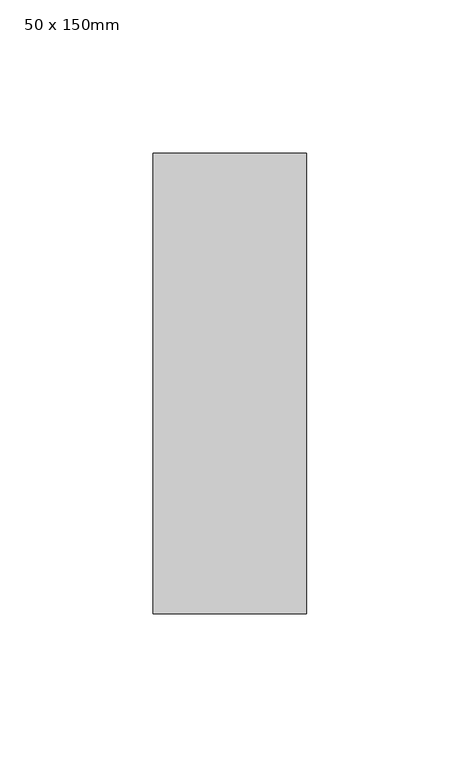
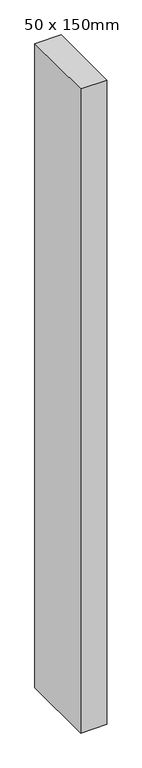
"""IFC4 building model written with IfcOpenShell, lengths in millimetres: member geometry, 50 x 150mm."""

from ifc_helpers import new_model, si_unit, frame, origin, place, context, project, spatial, polyline, outline, extrude, source, transform, mapped, element, save


def member_50_x_150mm_6183de8f(model_context):
    return source(origin(), model_context, "Body", "SweptSolid", [
        extrude(outline(polyline([(0.0, 75.0), (0.0, -75.0), (-50.0, -75.0), (-50.0, 75.0), (0.0, 75.0)])), frame((0.0, 0.0, -1293.5353444), z_axis=(0.0, 0.0, 1.0), x_axis=(1.0, 0.0, 0.0)), (0.0, 0.0, 1.0), 1293.5353444),
    ])


if __name__ == "__main__":
    model = new_model("IFC4")
    model_context = context("Model", 3, world=origin())
    ifc_project = project(units=[si_unit("LENGTHUNIT", "METRE", prefix="MILLI")], contexts=[model_context])
    site = spatial("IfcSite", under=ifc_project)
    building = spatial("IfcBuilding", under=site)
    placement = place(None, origin())
    member_50_x_150mm_shape = member_50_x_150mm_6183de8f(model_context)
    element("IfcMember", 1, ObjectType="50 x 150mm", at=placement, inside=building, context=model_context, shape_type="MappedRepresentation", body=[
        mapped(member_50_x_150mm_shape, transform((0.0, 0.0, 0.0), x_axis=(1.0, 0.0, 0.0), y_axis=(0.0, 1.0, 0.0), z_axis=(0.0, 0.0, 1.0))),
    ])
    save(model, "model.ifc")
